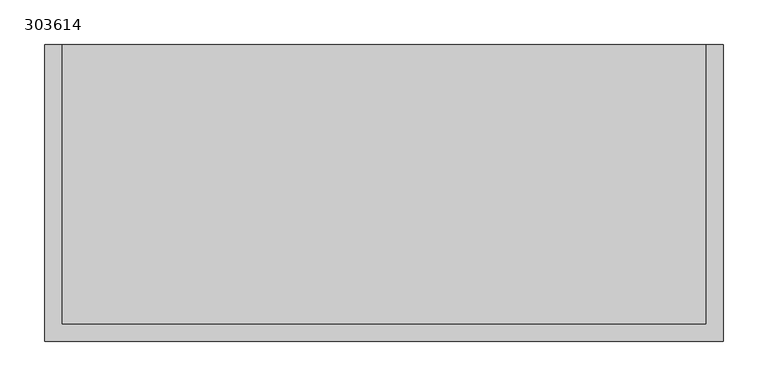
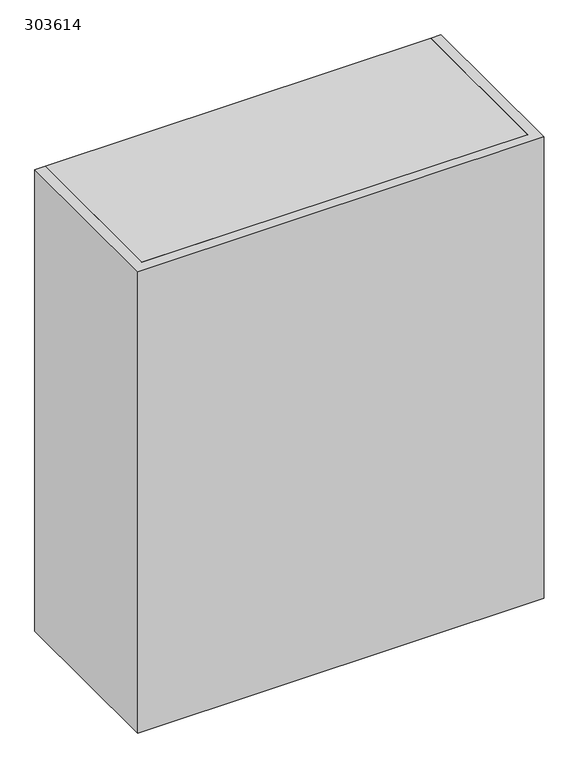
"""IFC4 building model written with IfcOpenShell, lengths in millimetres: furniture geometry, 303614."""

from ifc_helpers import new_model, si_unit, frame, origin, place, context, project, spatial, polyline, outline, extrude, source, transform, mapped, element, save


def furniture_303614_a797948c(model_context):
    return source(origin(), model_context, "Body", "SweptSolid", [
        extrude(outline(polyline([(361.8, 397.1), (381.0, 397.1), (381.0, 63.5), (-381.0, 63.5), (-381.0, 397.1), (-361.8, 397.1), (-361.8, 82.7), (361.8, 82.7), (361.8, 397.1)])), frame((0.0, 0.0, 1219.2), z_axis=(0.0, 0.0, 1.0), x_axis=(1.0, 0.0, 0.0)), (0.0, 0.0, 1.0), 914.4),
        extrude(outline(polyline([(361.8, 82.7), (-361.8, 82.7), (-361.8, 387.1), (361.8, 387.1), (361.8, 82.7)])), frame((0.0, 0.0, 1816.0), z_axis=(0.0, 0.0, 1.0), x_axis=(1.0, 0.0, 0.0)), (0.0, 0.0, 1.0), 19.2),
        extrude(outline(polyline([(361.8, 82.7), (-361.8, 82.7), (-361.8, 387.1), (361.8, 387.1), (361.8, 82.7)])), frame((0.0, 0.0, 1517.6), z_axis=(0.0, 0.0, 1.0), x_axis=(1.0, 0.0, 0.0)), (0.0, 0.0, 1.0), 19.2),
        extrude(outline(polyline([(361.8, 397.1), (361.8, 82.7), (-361.8, 82.7), (-361.8, 397.1), (361.8, 397.1)])), frame((0.0, 0.0, 2114.4), z_axis=(0.0, 0.0, 1.0), x_axis=(1.0, 0.0, 0.0)), (0.0, 0.0, 1.0), 19.2),
        extrude(outline(polyline([(361.8, 397.1), (361.8, 82.7), (-361.8, 82.7), (-361.8, 397.1), (361.8, 397.1)])), frame((0.0, 0.0, 1219.2), z_axis=(0.0, 0.0, 1.0), x_axis=(1.0, 0.0, 0.0)), (0.0, 0.0, 1.0), 19.2),
    ])


if __name__ == "__main__":
    model = new_model("IFC4")
    model_context = context("Model", 3, world=origin())
    ifc_project = project(units=[si_unit("LENGTHUNIT", "METRE", prefix="MILLI")], contexts=[model_context])
    site = spatial("IfcSite", under=ifc_project)
    building = spatial("IfcBuilding", under=site)
    placement = place(None, origin())
    furniture_303614_shape = furniture_303614_a797948c(model_context)
    element("IfcFurniture", 1, ObjectType="303614", at=placement, inside=building, context=model_context, shape_type="MappedRepresentation", body=[
        mapped(furniture_303614_shape, transform((0.0, 0.0, 0.0), x_axis=(1.0, 0.0, 0.0), y_axis=(0.0, 1.0, 0.0), z_axis=(0.0, 0.0, 1.0))),
    ])
    save(model, "model.ifc")
